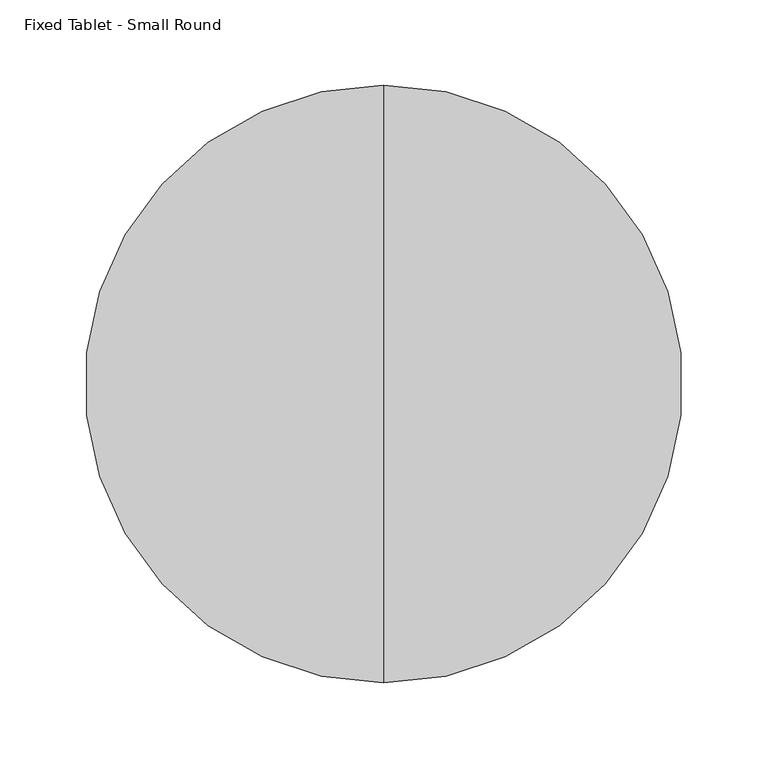
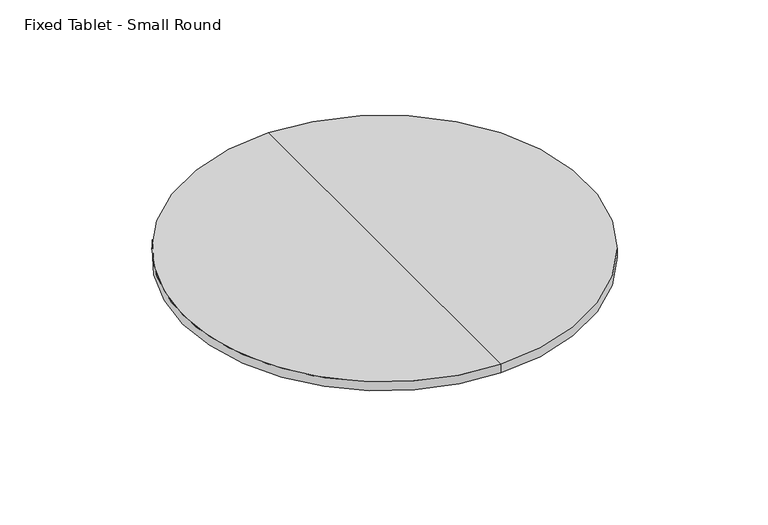
"""IFC4 building model written with IfcOpenShell, lengths in millimetres: furniture geometry, Fixed Tablet - Small Round."""

from ifc_helpers import new_model, si_unit, frame, origin, place, context, project, spatial, polyline, circle_curve, source, transform, mapped, element, save
from ifc_brep_helpers import plane_surface, cylinder_surface, revolved_surface, advanced_brep


def fixed_tablet_small_round_8f0ac416(model_context):
    return source(origin(), model_context, "Body", "AdvancedBrep", [
        advanced_brep(
        [(0.0, 144.9999737, 732.0000801), (0.0, -205.0000597, 732.0000801), (0.0, -205.0000597, 740.0001005), (0.0, 144.9999737, 740.0001005), (0.0, 94.9999733, 715.0001003), (0.0, -155.0000593, 715.0001003), (0.0, -30.000043, 715.0001003), (0.0, -30.000043, 740.0001005)],
        [
            (0, 1, circle_curve(frame((0.0, -30.000043, 732.0000801), z_axis=(0.0, 0.0, 1.0), x_axis=(0.0, -1.0, 0.0)), 175.0000167)),
            (1, 2),
            (2, 3, circle_curve(frame((0.0, -30.000043, 740.0001005), z_axis=(0.0, 0.0, -1.0), x_axis=(0.0, -1.0, 0.0)), 175.0000167)),
            (3, 0),
            (1, 0, circle_curve(frame((0.0, -30.000043, 732.0000801), z_axis=(0.0, 0.0, 1.0), x_axis=(0.0, -1.0, 0.0)), 175.0000167)),
            (3, 2, circle_curve(frame((0.0, -30.000043, 740.0001005), z_axis=(0.0, 0.0, -1.0), x_axis=(0.0, -1.0, 0.0)), 175.0000167)),
            (4, 5, circle_curve(frame((0.0, -30.000043, 715.0001003), z_axis=(0.0, 0.0, 1.0), x_axis=(0.0, -1.0, 0.0)), 125.0000163)),
            (5, 1),
            (0, 4),
            (5, 4, circle_curve(frame((0.0, -30.000043, 715.0001003), z_axis=(0.0, 0.0, 1.0), x_axis=(0.0, -1.0, 0.0)), 125.0000163)),
            (6, 5),
            (4, 6),
            (2, 7),
            (7, 3),
        ],
        [
            cylinder_surface(frame((0.0, -30.000043, 655.0001003), z_axis=(0.0, 0.0, -1.0), x_axis=(0.0, -1.0, 0.0)), 175.0000167),
            revolved_surface(polyline([(0.0, -205.0000597, 732.0000801), (0.0, -155.0000593, 715.0001003)]), (0.0, -30.000043, 655.0001003), (0.0, 0.0, -1.0)),
            plane_surface(frame((0.0, -30.000043, 715.0001003), z_axis=(0.0, 0.0, -1.0), x_axis=(0.0, -1.0, 0.0))),
            plane_surface(frame((0.0, -30.000043, 740.0001005), z_axis=(0.0, 0.0, 1.0), x_axis=(0.0, -1.0, 0.0))),
        ],
        [
            (0, [[1, 2, 3, 4]]),
            (0, [[5, -4, 6, -2]]),
            (1, [[7, 8, -1, 9]]),
            (1, [[10, -9, -5, -8]]),
            (2, [[11, -7, 12]]),
            (2, [[-12, -10, -11]]),
            (3, [[-3, 13, 14]]),
            (3, [[-6, -14, -13]]),
        ],
    ),
    ])


if __name__ == "__main__":
    model = new_model("IFC4")
    model_context = context("Model", 3, world=origin())
    ifc_project = project(units=[si_unit("LENGTHUNIT", "METRE", prefix="MILLI")], contexts=[model_context])
    site = spatial("IfcSite", under=ifc_project)
    building = spatial("IfcBuilding", under=site)
    placement = place(None, origin())
    fixed_tablet_small_round_shape = fixed_tablet_small_round_8f0ac416(model_context)
    element("IfcFurniture", 1, ObjectType="Fixed Tablet - Small Round", at=placement, inside=building, context=model_context, shape_type="MappedRepresentation", body=[
        mapped(fixed_tablet_small_round_shape, transform((0.0, 0.0, 0.0), x_axis=(1.0, 0.0, 0.0), y_axis=(0.0, 1.0, 0.0), z_axis=(0.0, 0.0, 1.0))),
    ])
    save(model, "model.ifc")
